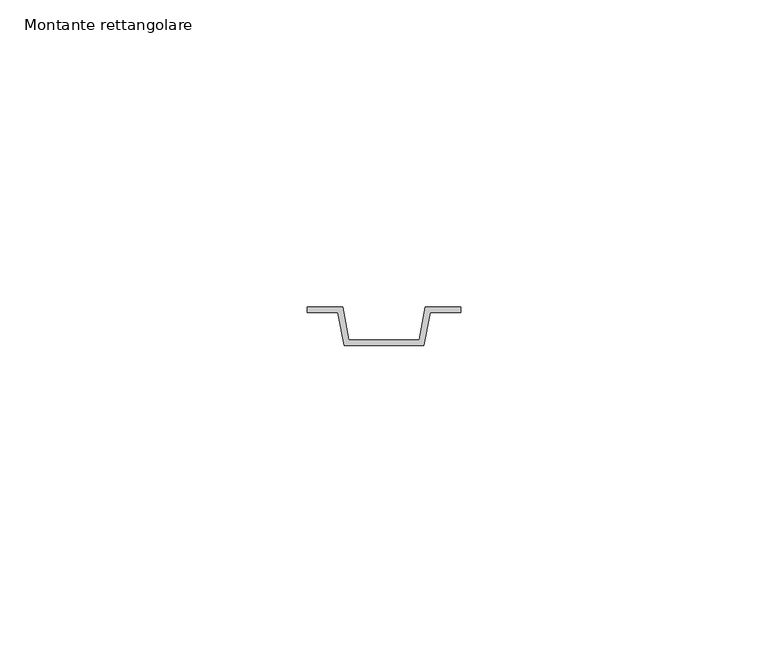
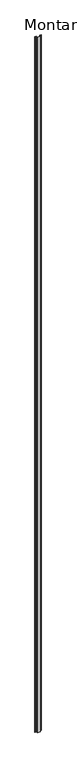
"""IFC4 building model written with IfcOpenShell, lengths in millimetres: member geometry, Montante rettangolare."""

import ifcopenshell
import ifcopenshell.guid

model = None  # the IFC model being written
_history = None  # IfcOwnerHistory: only IFC2X3 demands one
_inside = {}  # id of a spatial element -> (the spatial element, [elements in it])
_under = {}  # id of a project, library or spatial element -> (it, [spatial elements below it])
_declared = {}  # id of a project -> (the project, [libraries it declares])
_typed = {}  # id of a type object -> (the type object, [elements of that type])
_made_of = {}  # id of a material, layer set ... -> (it, [elements and type objects made of it])


def new_model(schema):
    """Start an empty IFC model of exactly this schema.

    Asked for "IFC4X3", IfcOpenShell would pick the latest addendum, in which some entities
    have other attributes; the version numbers below select the first issue.
    IFC2X3 requires an IfcOwnerHistory on every rooted entity: one is made here for all.
    """
    global model, _history
    if schema == "IFC4X3":
        model = ifcopenshell.file(schema_version=(4, 3, 0, 0))
    else:
        model = ifcopenshell.file(schema=schema)
    _inside.clear()
    _under.clear()
    _declared.clear()
    _typed.clear()
    _made_of.clear()
    _history = None
    if model.schema == "IFC2X3":
        org = make("IfcOrganization", Name="unknown")
        user = make(
            "IfcPersonAndOrganization",
            ThePerson=make("IfcPerson", FamilyName="unknown"),
            TheOrganization=org,
        )
        app = make(
            "IfcApplication",
            ApplicationDeveloper=org,
            Version="unknown",
            ApplicationFullName="unknown",
            ApplicationIdentifier="unknown",
        )
        _history = make(
            "IfcOwnerHistory",
            OwningUser=user,
            OwningApplication=app,
            ChangeAction="ADDED",
            CreationDate=0,
        )
    return model


def make(cls, **values):
    """One entity of the class cls with the attributes given. An attribute that is None is left unset."""
    return model.create_entity(
        cls, **{name: value for name, value in values.items() if value is not None}
    )


def rooted(cls, **values):
    """An entity with a GlobalId (a new one), such as an element, a storey or a relation."""
    return make(cls, GlobalId=ifcopenshell.guid.new(), OwnerHistory=_history, **values)


def si_unit(unit_type, name, prefix=None):
    """IfcSIUnit, for example si_unit("LENGTHUNIT", "METRE", prefix="MILLI")."""
    return make("IfcSIUnit", UnitType=unit_type, Prefix=prefix, Name=name)


def assignment(units):
    """IfcUnitAssignment: the units of a project."""
    return None if units is None else make("IfcUnitAssignment", Units=units)


def point(xyz):
    """IfcCartesianPoint."""
    return None if xyz is None else make("IfcCartesianPoint", Coordinates=xyz)


def direction(xyz):
    """IfcDirection."""
    return None if xyz is None else make("IfcDirection", DirectionRatios=xyz)


def frame(location, z_axis=None, x_axis=None):
    """IfcAxis2Placement3D, a coordinate frame: its origin and axes. An axis left out is left unset."""
    return make(
        "IfcAxis2Placement3D",
        Location=point(location),
        Axis=direction(z_axis),
        RefDirection=direction(x_axis),
    )


def origin():
    """The frame at (0, 0, 0) with its axes left unset."""
    return frame((0.0, 0.0, 0.0))


def place(relative_to, where):
    """IfcLocalPlacement: puts the frame where relative to a parent placement (None: the world)."""
    return make(
        "IfcLocalPlacement", PlacementRelTo=relative_to, RelativePlacement=where
    )


def context(
    kind, dimensions, precision=None, world=None, true_north=None, identifier=None
):
    """IfcGeometricRepresentationContext, for example the 3D "Model" context."""
    return make(
        "IfcGeometricRepresentationContext",
        ContextIdentifier=identifier,
        ContextType=kind,
        CoordinateSpaceDimension=dimensions,
        Precision=precision,
        WorldCoordinateSystem=world,
        TrueNorth=true_north,
    )


def project(units=None, contexts=None):
    """IfcProject with its units and contexts."""
    return rooted(
        "IfcProject",
        Name="project",
        RepresentationContexts=contexts,
        UnitsInContext=assignment(units),
    )


def spatial(cls, under=None, at=None, **own):
    """A site, building, storey or space (cls), placed at a placement, below another one or the project."""
    s = rooted(cls, ObjectPlacement=at, **own)
    if under is not None:
        _under.setdefault(under.id(), (under, []))[1].append(s)
    return s


def polyline(points):
    """IfcPolyline through the points."""
    return make("IfcPolyline", Points=[point(p) for p in points])


def outline(outer, holes=None, kind="AREA"):
    """IfcArbitraryClosedProfileDef: a profile drawn as a closed curve; with holes, ...WithVoids."""
    if holes is None:
        return make("IfcArbitraryClosedProfileDef", ProfileType=kind, OuterCurve=outer)
    return make(
        "IfcArbitraryProfileDefWithVoids",
        ProfileType=kind,
        OuterCurve=outer,
        InnerCurves=holes,
    )


def extrude(swept, where, along, depth):
    """IfcExtrudedAreaSolid: the profile swept, set in the frame where, extruded along a direction by depth."""
    return make(
        "IfcExtrudedAreaSolid",
        SweptArea=swept,
        Position=where,
        ExtrudedDirection=direction(along),
        Depth=depth,
    )


def shape(context_of_items, identifier, shape_type, items):
    """IfcShapeRepresentation: the items that make up one representation, for example the "Body"."""
    return make(
        "IfcShapeRepresentation",
        ContextOfItems=context_of_items,
        RepresentationIdentifier=identifier,
        RepresentationType=shape_type,
        Items=items,
    )


def source(mapping_origin, context_of_items, identifier, shape_type, items):
    """IfcRepresentationMap: a shape defined once, which mapped items show again and again."""
    return make(
        "IfcRepresentationMap",
        MappingOrigin=mapping_origin,
        MappedRepresentation=shape(context_of_items, identifier, shape_type, items),
    )


def transform(
    local_origin,
    x_axis=None,
    y_axis=None,
    z_axis=None,
    scale=None,
    scale2=None,
    scale3=None,
    uniform=True,
):
    """IfcCartesianTransformationOperator3D, or its non-uniform kind. x_axis, y_axis, z_axis: its Axis1, 2, 3."""
    if uniform:
        return make(
            "IfcCartesianTransformationOperator3D",
            Axis1=direction(x_axis),
            Axis2=direction(y_axis),
            LocalOrigin=point(local_origin),
            Scale=scale,
            Axis3=direction(z_axis),
        )
    return make(
        "IfcCartesianTransformationOperator3DnonUniform",
        Axis1=direction(x_axis),
        Axis2=direction(y_axis),
        LocalOrigin=point(local_origin),
        Scale=scale,
        Axis3=direction(z_axis),
        Scale2=scale2,
        Scale3=scale3,
    )


def mapped(mapping_source, mapping_target):
    """IfcMappedItem: shows the shape of a source again, moved by a transform."""
    return make(
        "IfcMappedItem", MappingSource=mapping_source, MappingTarget=mapping_target
    )


def made_of(thing, what):
    """Note that an element or type object is made of a material, layer set ...; save() writes the relation."""
    if what is not None:
        _made_of.setdefault(what.id(), (what, []))[1].append(thing)
    return thing


def element(
    cls,
    number,
    at=None,
    inside=None,
    cuts=None,
    type_object=None,
    material=None,
    context=None,
    identifier="Body",
    shape_type=None,
    held_by="IfcProductDefinitionShape",
    body=None,
    shapes=None,
    **own,
):
    """One element of the class cls, such as IfcWall. Its Tag is "e" and its number.

    at: its placement. inside: the storey or other place that contains it. cuts: it is an
    opening in that element (IfcRelVoidsElement). A single representation is given by context,
    identifier, shape_type and body (its items); several are given by shapes. held_by: the class
    of the entity that holds the representations. save() writes the other relations.
    """
    e = rooted(cls, Tag="e%d" % number, ObjectPlacement=at, **own)
    if body is not None:
        shapes = [shape(context, identifier, shape_type, body)]
    if shapes is not None:
        e.Representation = make(held_by, Representations=shapes)
    if inside is not None:
        _inside.setdefault(inside.id(), (inside, []))[1].append(e)
    if cuts is not None:
        rooted(
            "IfcRelVoidsElement", RelatingBuildingElement=cuts, RelatedOpeningElement=e
        )
    if type_object is not None:
        _typed.setdefault(type_object.id(), (type_object, []))[1].append(e)
    return made_of(e, material)


def aggregate(whole, parts):
    """IfcRelAggregates: a whole, such as a stair, and the parts it consists of."""
    return rooted("IfcRelAggregates", RelatingObject=whole, RelatedObjects=parts)


def save(model, path):
    """Write the relations noted so far, then the file.

    IfcRelAggregates (storeys below a building ...), IfcRelContainedInSpatialStructure (elements
    in a storey), IfcRelDefinesByType, IfcRelAssociatesMaterial and IfcRelDeclares: one each for
    every whole, place, type object, material and project.
    """
    for whole, parts in _under.values():
        aggregate(whole, parts)
    for where, things in _inside.values():
        rooted(
            "IfcRelContainedInSpatialStructure",
            RelatedElements=things,
            RelatingStructure=where,
        )
    for kind, things in _typed.values():
        rooted("IfcRelDefinesByType", RelatedObjects=things, RelatingType=kind)
    for what, things in _made_of.values():
        rooted("IfcRelAssociatesMaterial", RelatedObjects=things, RelatingMaterial=what)
    for by, libraries in _declared.values():
        rooted("IfcRelDeclares", RelatingContext=by, RelatedDefinitions=libraries)
    model.write(path)


def montante_rettangolare_ed39b788(model_context):
    return source(origin(), model_context, "Body", "SweptSolid", [
        extrude(outline(polyline([(-6.7536795, -60.84375), (-5.7536795, -66.24375), (5.7536795, -66.24375), (6.7536795, -60.84375), (12.5, -60.84375), (12.5, -61.75625), (7.5, -61.75625), (6.5, -67.15625), (-6.5, -67.15625), (-7.5, -61.75625), (-12.5, -61.75625), (-12.5, -60.84375), (-6.7536795, -60.84375)])), frame((0.0, 0.0, -3000.0), z_axis=(0.0, 0.0, 1.0), x_axis=(1.0, 0.0, 0.0)), (0.0, 0.0, 1.0), 3000.0),
    ])


if __name__ == "__main__":
    model = new_model("IFC4")
    model_context = context("Model", 3, world=origin())
    ifc_project = project(units=[si_unit("LENGTHUNIT", "METRE", prefix="MILLI")], contexts=[model_context])
    site = spatial("IfcSite", under=ifc_project)
    building = spatial("IfcBuilding", under=site)
    placement = place(None, origin())
    montante_rettangolare_shape = montante_rettangolare_ed39b788(model_context)
    element("IfcMember", 1, ObjectType="Montante rettangolare", at=placement, inside=building, context=model_context, shape_type="MappedRepresentation", body=[
        mapped(montante_rettangolare_shape, transform((0.0, 0.0, 0.0), x_axis=(1.0, 0.0, 0.0), y_axis=(0.0, 1.0, 0.0), z_axis=(0.0, 0.0, 1.0))),
    ])
    save(model, "model.ifc")
